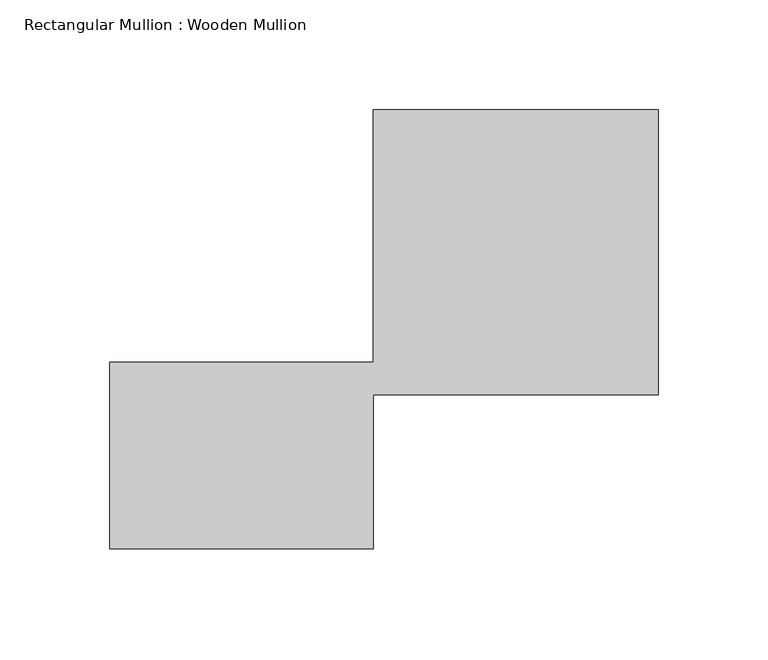
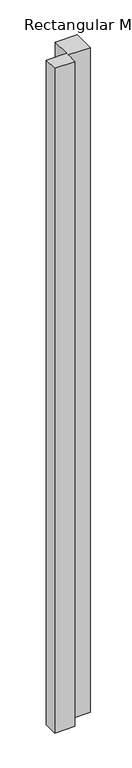
"""IFC4 building model written with IfcOpenShell, lengths in millimetres: member geometry, Rectangular Mullion : Wooden Mullion."""

from ifc_helpers import new_model, si_unit, frame, origin, place, context, project, spatial, polyline, outline, extrude, source, transform, mapped, element, save


def rectangular_mullion_wooden_mullion_e0febb83(model_context):
    return source(origin(), model_context, "Body", "SweptSolid", [
        extrude(outline(polyline([(74.8100006, -26.0137344), (-45.1899994, -26.0137344), (-45.1899994, 58.9862656), (74.8100006, 58.9862656), (74.8100006, 173.9862656), (204.8100006, 173.9862656), (204.8100006, 43.9862656), (74.8100006, 43.9862656), (74.8100006, -26.0137344)])), frame((0.0, 0.0, -4134.6472751), z_axis=(0.0, 0.0, 1.0), x_axis=(1.0, 0.0, 0.0)), (0.0, 0.0, 1.0), 4134.6472751),
    ])


if __name__ == "__main__":
    model = new_model("IFC4")
    model_context = context("Model", 3, world=origin())
    ifc_project = project(units=[si_unit("LENGTHUNIT", "METRE", prefix="MILLI")], contexts=[model_context])
    site = spatial("IfcSite", under=ifc_project)
    building = spatial("IfcBuilding", under=site)
    placement = place(None, origin())
    rectangular_mullion_wooden_mullion_shape = rectangular_mullion_wooden_mullion_e0febb83(model_context)
    element("IfcMember", 1, ObjectType="Rectangular Mullion : Wooden Mullion", at=placement, inside=building, context=model_context, shape_type="MappedRepresentation", body=[
        mapped(rectangular_mullion_wooden_mullion_shape, transform((0.0, 0.0, 0.0), x_axis=(1.0, 0.0, 0.0), y_axis=(0.0, 1.0, 0.0), z_axis=(0.0, 0.0, 1.0))),
    ])
    save(model, "model.ifc")
